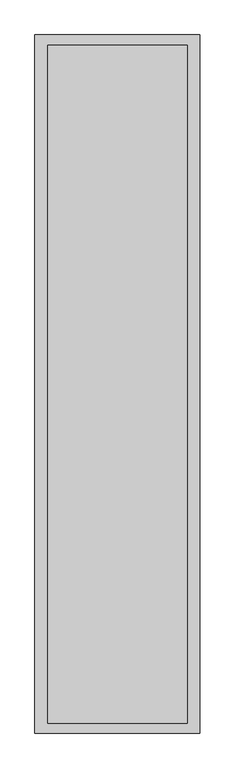
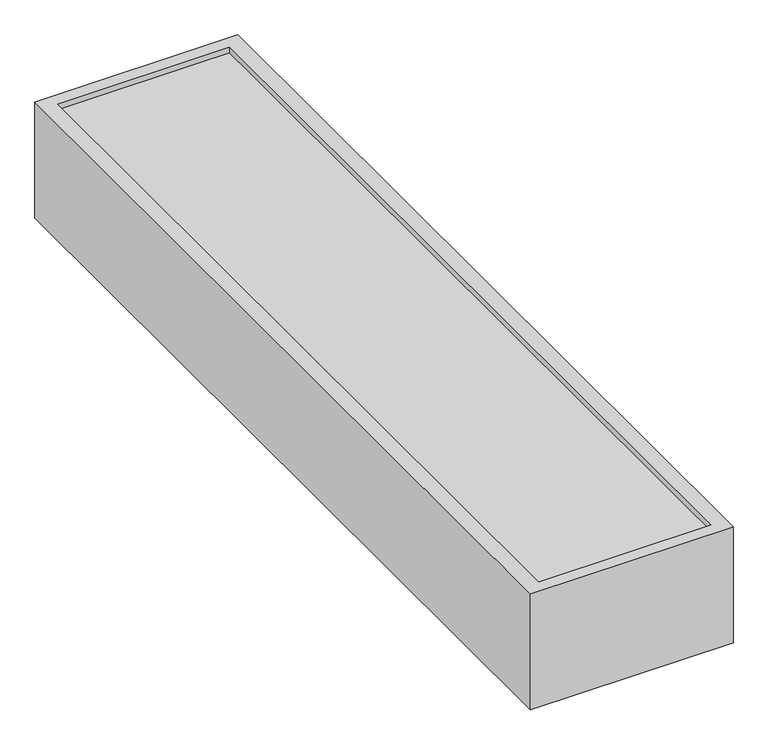
"""IFC4 building model written with IfcOpenShell, lengths in millimetres: proxy geometry."""

from ifc_helpers import new_model, si_unit, origin, origin_with_axes, place, context, project, spatial, polyline, outline, extrude, faceted_brep, source, transform, mapped, element, save


def specialty_equipment_8495b81f(model_context):
    return source(origin(), model_context, "Body", "SolidModel", [
        faceted_brep([(-350.2645503, -1700.2645503, 475.0), (350.2645503, -1700.2645503, 475.0), (350.2645503, 1699.2063492, 475.0), (-350.2645503, 1699.2063492, 475.0), (-350.2645503, -1700.2645503, 50.0), (-350.2645503, 1699.2063492, 50.0), (350.2645503, 1699.2063492, 50.0), (350.2645503, -1700.2645503, 50.0), (300.2645503, 1662.2354497, 50.0), (-300.2645503, 1662.2354497, 50.0), (-300.2645503, 1587.2354497, 50.0), (300.2645503, 1587.2354497, 50.0), (300.2645503, 1537.2354497, 50.0), (-300.2645503, 1537.2354497, 50.0), (-300.2645503, 1462.2354497, 50.0), (300.2645503, 1462.2354497, 50.0), (300.2645503, 1412.2354497, 50.0), (-300.2645503, 1412.2354497, 50.0), (-300.2645503, 1337.2354497, 50.0), (300.2645503, 1337.2354497, 50.0), (300.2645503, 1287.2354497, 50.0), (-300.2645503, 1287.2354497, 50.0), (-300.2645503, 1212.2354497, 50.0), (300.2645503, 1212.2354497, 50.0), (300.2645503, 1162.2354497, 50.0), (-300.2645503, 1162.2354497, 50.0), (-300.2645503, 1087.2354497, 50.0), (300.2645503, 1087.2354497, 50.0), (300.2645503, 1037.2354497, 50.0), (-300.2645503, 1037.2354497, 50.0), (-300.2645503, 962.2354497, 50.0), (300.2645503, 962.2354497, 50.0), (300.2645503, 912.2354497, 50.0), (-300.2645503, 912.2354497, 50.0), (-300.2645503, 837.2354497, 50.0), (300.2645503, 837.2354497, 50.0), (300.2645503, 787.2354497, 50.0), (-300.2645503, 787.2354497, 50.0), (-300.2645503, 712.2354497, 50.0), (300.2645503, 712.2354497, 50.0), (300.2645503, 662.2354497, 50.0), (-300.2645503, 662.2354497, 50.0), (-300.2645503, 587.2354497, 50.0), (300.2645503, 587.2354497, 50.0), (300.2645503, 537.2354497, 50.0), (-300.2645503, 537.2354497, 50.0), (-300.2645503, 462.2354497, 50.0), (300.2645503, 462.2354497, 50.0), (300.2645503, 412.2354497, 50.0), (-300.2645503, 412.2354497, 50.0), (-300.2645503, 337.2354497, 50.0), (300.2645503, 337.2354497, 50.0), (300.2645503, 287.2354497, 50.0), (-300.2645503, 287.2354497, 50.0), (-300.2645503, 212.2354497, 50.0), (300.2645503, 212.2354497, 50.0), (300.2645503, 162.2354497, 50.0), (-300.2645503, 162.2354497, 50.0), (-300.2645503, 87.2354497, 50.0), (300.2645503, 87.2354497, 50.0), (300.2645503, 37.2354497, 50.0), (-300.2645503, 37.2354497, 50.0), (-300.2645503, -37.7645503, 50.0), (300.2645503, -37.7645503, 50.0), (300.2645503, -87.7645503, 50.0), (-300.2645503, -87.7645503, 50.0), (-300.2645503, -162.7645503, 50.0), (300.2645503, -162.7645503, 50.0), (300.2645503, -212.7645503, 50.0), (-300.2645503, -212.7645503, 50.0), (-300.2645503, -287.7645503, 50.0), (300.2645503, -287.7645503, 50.0), (300.2645503, -337.7645503, 50.0), (-300.2645503, -337.7645503, 50.0), (-300.2645503, -412.7645503, 50.0), (300.2645503, -412.7645503, 50.0), (300.2645503, -462.7645503, 50.0), (-300.2645503, -462.7645503, 50.0), (-300.2645503, -537.7645503, 50.0), (300.2645503, -537.7645503, 50.0), (300.2645503, -587.7645503, 50.0), (-300.2645503, -587.7645503, 50.0), (-300.2645503, -662.7645503, 50.0), (300.2645503, -662.7645503, 50.0), (300.2645503, -712.7645503, 50.0), (-300.2645503, -712.7645503, 50.0), (-300.2645503, -787.7645503, 50.0), (300.2645503, -787.7645503, 50.0), (300.2645503, -837.7645503, 50.0), (-300.2645503, -837.7645503, 50.0), (-300.2645503, -912.7645503, 50.0), (300.2645503, -912.7645503, 50.0), (300.2645503, -962.7645503, 50.0), (-300.2645503, -962.7645503, 50.0), (-300.2645503, -1037.7645503, 50.0), (300.2645503, -1037.7645503, 50.0), (300.2645503, -1087.7645503, 50.0), (-300.2645503, -1087.7645503, 50.0), (-300.2645503, -1162.7645503, 50.0), (300.2645503, -1162.7645503, 50.0), (300.2645503, -1212.7645503, 50.0), (-300.2645503, -1212.7645503, 50.0), (-300.2645503, -1287.7645503, 50.0), (300.2645503, -1287.7645503, 50.0), (300.2645503, -1337.7645503, 50.0), (-300.2645503, -1337.7645503, 50.0), (-300.2645503, -1412.7645503, 50.0), (300.2645503, -1412.7645503, 50.0), (300.2645503, -1462.7645503, 50.0), (-300.2645503, -1462.7645503, 50.0), (-300.2645503, -1537.7645503, 50.0), (300.2645503, -1537.7645503, 50.0), (300.2645503, -1587.7645503, 50.0), (-300.2645503, -1587.7645503, 50.0), (-300.2645503, -1662.7645503, 50.0), (300.2645503, -1662.7645503, 50.0), (300.2645503, 1662.2354497, 250.0), (300.2645503, 1587.2354497, 250.0), (-300.2645503, 1587.2354497, 250.0), (-300.2645503, 1662.2354497, 250.0), (300.2645503, 1537.2354497, 250.0), (300.2645503, 1462.2354497, 250.0), (-300.2645503, 1462.2354497, 250.0), (-300.2645503, 1537.2354497, 250.0), (300.2645503, 1412.2354497, 250.0), (300.2645503, 1337.2354497, 250.0), (-300.2645503, 1337.2354497, 250.0), (-300.2645503, 1412.2354497, 250.0), (300.2645503, 1287.2354497, 250.0), (300.2645503, 1212.2354497, 250.0), (-300.2645503, 1212.2354497, 250.0), (-300.2645503, 1287.2354497, 250.0), (300.2645503, 1162.2354497, 250.0), (300.2645503, 1087.2354497, 250.0), (-300.2645503, 1087.2354497, 250.0), (-300.2645503, 1162.2354497, 250.0), (300.2645503, 1037.2354497, 250.0), (300.2645503, 962.2354497, 250.0), (-300.2645503, 962.2354497, 250.0), (-300.2645503, 1037.2354497, 250.0), (300.2645503, 912.2354497, 250.0), (300.2645503, 837.2354497, 250.0), (-300.2645503, 837.2354497, 250.0), (-300.2645503, 912.2354497, 250.0), (300.2645503, 787.2354497, 250.0), (300.2645503, 712.2354497, 250.0), (-300.2645503, 712.2354497, 250.0), (-300.2645503, 787.2354497, 250.0), (300.2645503, 662.2354497, 250.0), (300.2645503, 587.2354497, 250.0), (-300.2645503, 587.2354497, 250.0), (-300.2645503, 662.2354497, 250.0), (300.2645503, 537.2354497, 250.0), (300.2645503, 462.2354497, 250.0), (-300.2645503, 462.2354497, 250.0), (-300.2645503, 537.2354497, 250.0), (300.2645503, 412.2354497, 250.0), (300.2645503, 337.2354497, 250.0), (-300.2645503, 337.2354497, 250.0), (-300.2645503, 412.2354497, 250.0), (300.2645503, 287.2354497, 250.0), (300.2645503, 212.2354497, 250.0), (-300.2645503, 212.2354497, 250.0), (-300.2645503, 287.2354497, 250.0), (300.2645503, 162.2354497, 250.0), (300.2645503, 87.2354497, 250.0), (-300.2645503, 87.2354497, 250.0), (-300.2645503, 162.2354497, 250.0), (300.2645503, 37.2354497, 250.0), (300.2645503, -37.7645503, 250.0), (-300.2645503, -37.7645503, 250.0), (-300.2645503, 37.2354497, 250.0), (300.2645503, -87.7645503, 250.0), (300.2645503, -162.7645503, 250.0), (-300.2645503, -162.7645503, 250.0), (-300.2645503, -87.7645503, 250.0), (300.2645503, -212.7645503, 250.0), (300.2645503, -287.7645503, 250.0), (-300.2645503, -287.7645503, 250.0), (-300.2645503, -212.7645503, 250.0), (300.2645503, -337.7645503, 250.0), (300.2645503, -412.7645503, 250.0), (-300.2645503, -412.7645503, 250.0), (-300.2645503, -337.7645503, 250.0), (300.2645503, -462.7645503, 250.0), (300.2645503, -537.7645503, 250.0), (-300.2645503, -537.7645503, 250.0), (-300.2645503, -462.7645503, 250.0), (300.2645503, -587.7645503, 250.0), (300.2645503, -662.7645503, 250.0), (-300.2645503, -662.7645503, 250.0), (-300.2645503, -587.7645503, 250.0), (300.2645503, -712.7645503, 250.0), (300.2645503, -787.7645503, 250.0), (-300.2645503, -787.7645503, 250.0), (-300.2645503, -712.7645503, 250.0), (300.2645503, -837.7645503, 250.0), (300.2645503, -912.7645503, 250.0), (-300.2645503, -912.7645503, 250.0), (-300.2645503, -837.7645503, 250.0), (300.2645503, -962.7645503, 250.0), (300.2645503, -1037.7645503, 250.0), (-300.2645503, -1037.7645503, 250.0), (-300.2645503, -962.7645503, 250.0), (300.2645503, -1087.7645503, 250.0), (300.2645503, -1162.7645503, 250.0), (-300.2645503, -1162.7645503, 250.0), (-300.2645503, -1087.7645503, 250.0), (300.2645503, -1212.7645503, 250.0), (300.2645503, -1287.7645503, 250.0), (-300.2645503, -1287.7645503, 250.0), (-300.2645503, -1212.7645503, 250.0), (300.2645503, -1337.7645503, 250.0), (300.2645503, -1412.7645503, 250.0), (-300.2645503, -1412.7645503, 250.0), (-300.2645503, -1337.7645503, 250.0), (300.2645503, -1462.7645503, 250.0), (300.2645503, -1537.7645503, 250.0), (-300.2645503, -1537.7645503, 250.0), (-300.2645503, -1462.7645503, 250.0), (300.2645503, -1587.7645503, 250.0), (300.2645503, -1662.7645503, 250.0), (-300.2645503, -1662.7645503, 250.0), (-300.2645503, -1587.7645503, 250.0)], [[[0, 1, 2, 3]], [[4, 5, 6, 7], [8, 9, 10, 11], [12, 13, 14, 15], [16, 17, 18, 19], [20, 21, 22, 23], [24, 25, 26, 27], [28, 29, 30, 31], [32, 33, 34, 35], [36, 37, 38, 39], [40, 41, 42, 43], [44, 45, 46, 47], [48, 49, 50, 51], [52, 53, 54, 55], [56, 57, 58, 59], [60, 61, 62, 63], [64, 65, 66, 67], [68, 69, 70, 71], [72, 73, 74, 75], [76, 77, 78, 79], [80, 81, 82, 83], [84, 85, 86, 87], [88, 89, 90, 91], [92, 93, 94, 95], [96, 97, 98, 99], [100, 101, 102, 103], [104, 105, 106, 107], [108, 109, 110, 111], [112, 113, 114, 115]], [[0, 3, 5, 4]], [[3, 2, 6, 5]], [[2, 1, 7, 6]], [[1, 0, 4, 7]], [[116, 117, 118, 119]], [[120, 121, 122, 123]], [[124, 125, 126, 127]], [[128, 129, 130, 131]], [[132, 133, 134, 135]], [[136, 137, 138, 139]], [[140, 141, 142, 143]], [[144, 145, 146, 147]], [[148, 149, 150, 151]], [[152, 153, 154, 155]], [[156, 157, 158, 159]], [[160, 161, 162, 163]], [[164, 165, 166, 167]], [[168, 169, 170, 171]], [[172, 173, 174, 175]], [[176, 177, 178, 179]], [[180, 181, 182, 183]], [[184, 185, 186, 187]], [[188, 189, 190, 191]], [[192, 193, 194, 195]], [[196, 197, 198, 199]], [[200, 201, 202, 203]], [[204, 205, 206, 207]], [[208, 209, 210, 211]], [[212, 213, 214, 215]], [[216, 217, 218, 219]], [[220, 221, 222, 223]], [[116, 119, 9, 8]], [[119, 118, 10, 9]], [[118, 117, 11, 10]], [[117, 116, 8, 11]], [[120, 123, 13, 12]], [[123, 122, 14, 13]], [[122, 121, 15, 14]], [[121, 120, 12, 15]], [[124, 127, 17, 16]], [[127, 126, 18, 17]], [[126, 125, 19, 18]], [[125, 124, 16, 19]], [[128, 131, 21, 20]], [[131, 130, 22, 21]], [[130, 129, 23, 22]], [[129, 128, 20, 23]], [[132, 135, 25, 24]], [[135, 134, 26, 25]], [[134, 133, 27, 26]], [[133, 132, 24, 27]], [[136, 139, 29, 28]], [[139, 138, 30, 29]], [[138, 137, 31, 30]], [[137, 136, 28, 31]], [[140, 143, 33, 32]], [[143, 142, 34, 33]], [[142, 141, 35, 34]], [[141, 140, 32, 35]], [[144, 147, 37, 36]], [[147, 146, 38, 37]], [[146, 145, 39, 38]], [[145, 144, 36, 39]], [[148, 151, 41, 40]], [[151, 150, 42, 41]], [[150, 149, 43, 42]], [[149, 148, 40, 43]], [[152, 155, 45, 44]], [[155, 154, 46, 45]], [[154, 153, 47, 46]], [[153, 152, 44, 47]], [[156, 159, 49, 48]], [[159, 158, 50, 49]], [[158, 157, 51, 50]], [[157, 156, 48, 51]], [[160, 163, 53, 52]], [[163, 162, 54, 53]], [[162, 161, 55, 54]], [[161, 160, 52, 55]], [[164, 167, 57, 56]], [[167, 166, 58, 57]], [[166, 165, 59, 58]], [[165, 164, 56, 59]], [[168, 171, 61, 60]], [[171, 170, 62, 61]], [[170, 169, 63, 62]], [[169, 168, 60, 63]], [[172, 175, 65, 64]], [[175, 174, 66, 65]], [[174, 173, 67, 66]], [[173, 172, 64, 67]], [[176, 179, 69, 68]], [[179, 178, 70, 69]], [[178, 177, 71, 70]], [[177, 176, 68, 71]], [[180, 183, 73, 72]], [[183, 182, 74, 73]], [[182, 181, 75, 74]], [[181, 180, 72, 75]], [[184, 187, 77, 76]], [[187, 186, 78, 77]], [[186, 185, 79, 78]], [[185, 184, 76, 79]], [[188, 191, 81, 80]], [[191, 190, 82, 81]], [[190, 189, 83, 82]], [[189, 188, 80, 83]], [[192, 195, 85, 84]], [[195, 194, 86, 85]], [[194, 193, 87, 86]], [[193, 192, 84, 87]], [[196, 199, 89, 88]], [[199, 198, 90, 89]], [[198, 197, 91, 90]], [[197, 196, 88, 91]], [[200, 203, 93, 92]], [[203, 202, 94, 93]], [[202, 201, 95, 94]], [[201, 200, 92, 95]], [[204, 207, 97, 96]], [[207, 206, 98, 97]], [[206, 205, 99, 98]], [[205, 204, 96, 99]], [[208, 211, 101, 100]], [[211, 210, 102, 101]], [[210, 209, 103, 102]], [[209, 208, 100, 103]], [[212, 215, 105, 104]], [[215, 214, 106, 105]], [[214, 213, 107, 106]], [[213, 212, 104, 107]], [[216, 219, 109, 108]], [[219, 218, 110, 109]], [[218, 217, 111, 110]], [[217, 216, 108, 111]], [[220, 223, 113, 112]], [[223, 222, 114, 113]], [[222, 221, 115, 114]], [[221, 220, 112, 115]]]),
        extrude(outline(polyline([(413.5, 1750.0), (413.5, -1750.0), (-413.5, -1750.0), (-413.5, 1750.0), (413.5, 1750.0)]), holes=[polyline([(-350.2645503, -1700.2645503), (350.2645503, -1700.2645503), (350.2645503, 1699.2063492), (-350.2645503, 1699.2063492), (-350.2645503, -1700.2645503)])]), origin_with_axes(), (0.0, 0.0, 1.0), 500.0),
    ])


if __name__ == "__main__":
    model = new_model("IFC4")
    model_context = context("Model", 3, world=origin())
    ifc_project = project(units=[si_unit("LENGTHUNIT", "METRE", prefix="MILLI")], contexts=[model_context])
    site = spatial("IfcSite", under=ifc_project)
    building = spatial("IfcBuilding", under=site)
    placement = place(None, origin())
    specialty_equipment_shape = specialty_equipment_8495b81f(model_context)
    element("IfcBuildingElementProxy", 1, Name="Specialty Equipment", at=placement, inside=building, context=model_context, shape_type="MappedRepresentation", body=[
        mapped(specialty_equipment_shape, transform((0.0, 0.0, 0.0), x_axis=(1.0, 0.0, 0.0), y_axis=(0.0, 1.0, 0.0), z_axis=(0.0, 0.0, 1.0))),
    ])
    save(model, "model.ifc")
